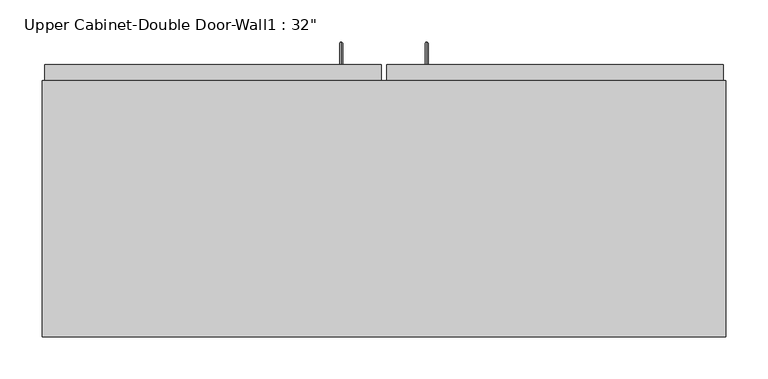
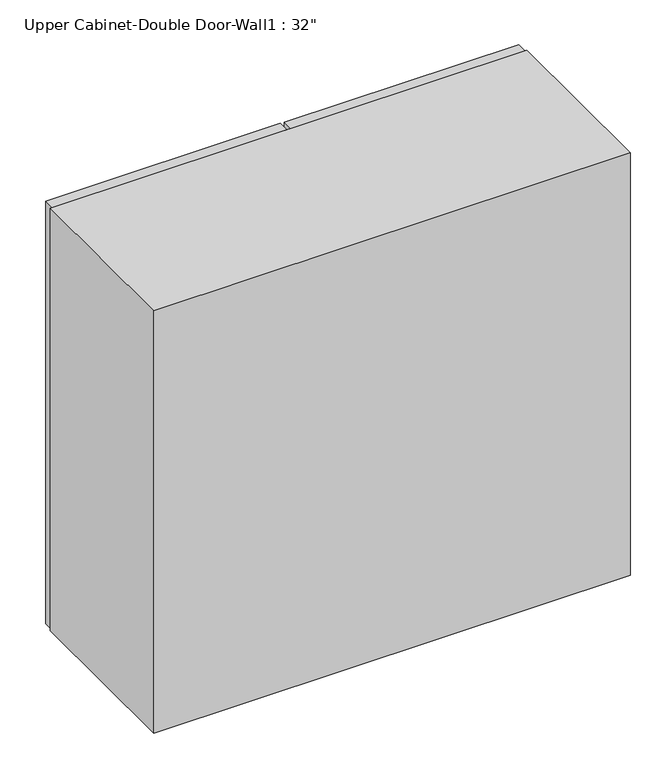
"""IFC4 building model written with IfcOpenShell, lengths in millimetres: furniture geometry."""

from ifc_helpers import new_model, si_unit, frame, origin, place, context, project, spatial, polyline, circle_curve, ellipse_curve, outline, extrude, faceted_brep, source, transform, mapped, element, save
from ifc_brep_helpers import plane_surface, cylinder_surface, advanced_brep


def furniture_71b46e25(model_context):
    return source(origin(), model_context, "Body", "SolidModel", [
        advanced_brep(
        [(80.5132081, 385.7625, 1425.575), (80.5132081, 385.7625, 1422.4), (80.5132081, 409.575, 1425.575), (80.5132081, 412.75, 1422.4), (80.5132081, 409.575, 1597.025), (80.5132081, 412.75, 1600.2), (80.5132081, 385.7625, 1597.025), (80.5132081, 385.7625, 1600.2)],
        [
            (0, 1, circle_curve(frame((80.5132081, 385.7625, 1423.9875), z_axis=(0.0, -1.0, 0.0), x_axis=(0.0, 0.0, -1.0)), 1.5875)),
            (1, 0, circle_curve(frame((80.5132081, 385.7625, 1423.9875), z_axis=(0.0, -1.0, 0.0), x_axis=(0.0, 0.0, -1.0)), 1.5875)),
            (0, 2),
            (2, 3, ellipse_curve(frame((80.5132081, 411.1625, 1423.9875), z_axis=(0.0, -0.7071067811865536, -0.7071067811865416), x_axis=(0.0, -0.7071067811865415, 0.7071067811865536)), 2.245064, 1.5875)),
            (3, 1),
            (3, 2, ellipse_curve(frame((80.5132081, 411.1625, 1423.9875), z_axis=(0.0, -0.7071067811865536, -0.7071067811865416), x_axis=(0.0, -0.7071067811865415, 0.7071067811865536)), 2.245064, 1.5875)),
            (2, 4),
            (4, 5, ellipse_curve(frame((80.5132081, 411.1625, 1598.6125), z_axis=(0.0, 0.7071067811865415, -0.7071067811865535), x_axis=(0.0, -0.7071067811865533, -0.7071067811865418)), 2.245064, 1.5875)),
            (5, 3),
            (5, 4, ellipse_curve(frame((80.5132081, 411.1625, 1598.6125), z_axis=(0.0, 0.7071067811865415, -0.7071067811865535), x_axis=(0.0, -0.7071067811865533, -0.7071067811865418)), 2.245064, 1.5875)),
            (6, 7, circle_curve(frame((80.5132081, 385.7625, 1598.6125), z_axis=(0.0, -1.0, 0.0), x_axis=(0.0, 0.0, 1.0)), 1.5875)),
            (7, 6, circle_curve(frame((80.5132081, 385.7625, 1598.6125), z_axis=(0.0, -1.0, 0.0), x_axis=(0.0, 0.0, 1.0)), 1.5875)),
            (4, 6),
            (7, 5),
        ],
        [
            plane_surface(frame((80.5132081, 385.7625, 1423.9875), z_axis=(0.0, -1.0, 0.0), x_axis=(-1.0, 0.0, 0.0))),
            cylinder_surface(frame((80.5132081, 385.7625, 1423.9875), z_axis=(0.0, -1.0, 0.0), x_axis=(0.0, 0.0, -1.0)), 1.5875),
            cylinder_surface(frame((80.5132081, 411.1625, 1423.9875), z_axis=(0.0, 0.0, -1.0), x_axis=(0.0, 1.0, 0.0)), 1.5875),
            plane_surface(frame((80.5132081, 385.7625, 1598.6125), z_axis=(0.0, -1.0, 0.0), x_axis=(-1.0, 0.0, 0.0))),
            cylinder_surface(frame((80.5132081, 411.1625, 1598.6125), z_axis=(0.0, 1.0, 0.0), x_axis=(0.0, 0.0, 1.0)), 1.5875),
        ],
        [
            (0, [[1, 2]]),
            (1, [[-1, 3, 4, 5]]),
            (1, [[-2, -5, 6, -3]]),
            (2, [[-4, 7, 8, 9]]),
            (2, [[-6, -9, 10, -7]]),
            (3, [[11, 12]]),
            (4, [[-8, 13, -12, 14]]),
            (4, [[-10, -14, -11, -13]]),
        ],
    ),
        advanced_brep(
        [(-21.0867919, 385.7625, 1425.575), (-21.0867919, 385.7625, 1422.4), (-21.0867919, 409.575, 1425.575), (-21.0867919, 412.75, 1422.4), (-21.0867919, 409.575, 1597.025), (-21.0867919, 412.75, 1600.2), (-21.0867919, 385.7625, 1597.025), (-21.0867919, 385.7625, 1600.2)],
        [
            (0, 1, circle_curve(frame((-21.0867919, 385.7625, 1423.9875), z_axis=(0.0, -1.0, 0.0), x_axis=(0.0, 0.0, -1.0)), 1.5875)),
            (1, 0, circle_curve(frame((-21.0867919, 385.7625, 1423.9875), z_axis=(0.0, -1.0, 0.0), x_axis=(0.0, 0.0, -1.0)), 1.5875)),
            (0, 2),
            (2, 3, ellipse_curve(frame((-21.0867919, 411.1625, 1423.9875), z_axis=(0.0, -0.7071067811865536, -0.7071067811865414), x_axis=(0.0, -0.7071067811865416, 0.7071067811865535)), 2.245064, 1.5875)),
            (3, 1),
            (3, 2, ellipse_curve(frame((-21.0867919, 411.1625, 1423.9875), z_axis=(0.0, -0.7071067811865536, -0.7071067811865414), x_axis=(0.0, -0.7071067811865416, 0.7071067811865535)), 2.245064, 1.5875)),
            (2, 4),
            (4, 5, ellipse_curve(frame((-21.0867919, 411.1625, 1598.6125), z_axis=(0.0, 0.7071067811865415, -0.7071067811865535), x_axis=(0.0, -0.7071067811865533, -0.7071067811865416)), 2.245064, 1.5875)),
            (5, 3),
            (5, 4, ellipse_curve(frame((-21.0867919, 411.1625, 1598.6125), z_axis=(0.0, 0.7071067811865415, -0.7071067811865535), x_axis=(0.0, -0.7071067811865533, -0.7071067811865416)), 2.245064, 1.5875)),
            (6, 7, circle_curve(frame((-21.0867919, 385.7625, 1598.6125), z_axis=(0.0, -1.0, 0.0), x_axis=(0.0, 0.0, 1.0)), 1.5875)),
            (7, 6, circle_curve(frame((-21.0867919, 385.7625, 1598.6125), z_axis=(0.0, -1.0, 0.0), x_axis=(0.0, 0.0, 1.0)), 1.5875)),
            (4, 6),
            (7, 5),
        ],
        [
            plane_surface(frame((-21.0867919, 385.7625, 1423.9875), z_axis=(0.0, -1.0, 0.0), x_axis=(-1.0, 0.0, 0.0))),
            cylinder_surface(frame((-21.0867919, 385.7625, 1423.9875), z_axis=(0.0, -1.0, 0.0), x_axis=(0.0, 0.0, -1.0)), 1.5875),
            cylinder_surface(frame((-21.0867919, 411.1625, 1423.9875), z_axis=(0.0, 0.0, -1.0), x_axis=(0.0, 1.0, 0.0)), 1.5875),
            plane_surface(frame((-21.0867919, 385.7625, 1598.6125), z_axis=(0.0, -1.0, 0.0), x_axis=(-1.0, 0.0, 0.0))),
            cylinder_surface(frame((-21.0867919, 411.1625, 1598.6125), z_axis=(0.0, 1.0, 0.0), x_axis=(0.0, 0.0, 1.0)), 1.5875),
        ],
        [
            (0, [[1, 2]]),
            (1, [[-1, 3, 4, 5]]),
            (1, [[-2, -5, 6, -3]]),
            (2, [[-4, 7, 8, 9]]),
            (2, [[-6, -9, 10, -7]]),
            (3, [[11, 12]]),
            (4, [[-8, 13, -12, 14]]),
            (4, [[-10, -14, -11, -13]]),
        ],
    ),
        faceted_brep([(-376.6288372, 61.9125, 2133.6), (-376.6288372, 61.9125, 1371.6), (436.1711628, 61.9125, 1371.6), (436.1711628, 61.9125, 2133.6), (-376.6288372, 366.7125, 2133.6), (436.1711628, 366.7125, 2133.6), (436.1711628, 366.7125, 1371.6), (-376.6288372, 366.7125, 1371.6), (417.1211628, 366.7125, 2114.55), (55.1711628, 366.7125, 2114.55), (55.1711628, 366.7125, 1390.65), (417.1211628, 366.7125, 1390.65), (-357.5788372, 366.7125, 2114.55), (-357.5788372, 366.7125, 1390.65), (4.3711628, 366.7125, 1390.65), (4.3711628, 366.7125, 2114.55), (-357.5788372, 80.9625, 2114.55), (4.3711628, 347.6625, 2114.55), (55.1711628, 347.6625, 2114.55), (417.1211628, 80.9625, 2114.55), (417.1211628, 80.9625, 1390.65), (55.1711628, 347.6625, 1390.65), (4.3711628, 347.6625, 1390.65), (-357.5788372, 80.9625, 1390.65)], [[[0, 1, 2, 3]], [[4, 5, 6, 7], [8, 9, 10, 11], [12, 13, 14, 15]], [[1, 0, 4, 7]], [[2, 1, 7, 6]], [[3, 2, 6, 5]], [[0, 3, 5, 4]], [[16, 12, 15, 17, 18, 9, 8, 19]], [[8, 11, 20, 19]], [[20, 11, 10, 21, 22, 14, 13, 23]], [[13, 12, 16, 23]], [[16, 19, 20, 23]], [[18, 21, 10, 9]], [[15, 14, 22, 17]], [[21, 18, 17, 22]]]),
        extrude(outline(polyline([(32.9461628, 385.7625), (432.9961628, 385.7625), (432.9961628, 366.7125), (32.9461628, 366.7125), (32.9461628, 385.7625)])), frame((0.0, 0.0, 1371.6), z_axis=(0.0, 0.0, 1.0), x_axis=(1.0, 0.0, 0.0)), (0.0, 0.0, 1.0), 762.0),
        extrude(outline(polyline([(-373.4538372, 385.7625), (26.5961628, 385.7625), (26.5961628, 366.7125), (-373.4538372, 366.7125), (-373.4538372, 385.7625)])), frame((0.0, 0.0, 1371.6), z_axis=(0.0, 0.0, 1.0), x_axis=(1.0, 0.0, 0.0)), (0.0, 0.0, 1.0), 762.0),
        extrude(outline(polyline([(417.1211628, 347.6625), (417.1211628, 80.9625), (-357.5788372, 80.9625), (-357.5788372, 347.6625), (417.1211628, 347.6625)])), frame((0.0, 0.0, 1951.0326388), z_axis=(0.0, 0.0, 1.0), x_axis=(1.0, 0.0, 0.0)), (0.0, 0.0, 1.0), 12.7),
        extrude(outline(polyline([(417.1211628, 347.6625), (417.1211628, 80.9625), (-357.5788372, 80.9625), (-357.5788372, 347.6625), (417.1211628, 347.6625)])), frame((0.0, 0.0, 1773.2326388), z_axis=(0.0, 0.0, 1.0), x_axis=(1.0, 0.0, 0.0)), (0.0, 0.0, 1.0), 12.7),
        extrude(outline(polyline([(417.1211628, 347.6625), (417.1211628, 80.9625), (-357.5788372, 80.9625), (-357.5788372, 347.6625), (417.1211628, 347.6625)])), frame((0.0, 0.0, 1595.4326388), z_axis=(0.0, 0.0, 1.0), x_axis=(1.0, 0.0, 0.0)), (0.0, 0.0, 1.0), 12.7),
    ])


if __name__ == "__main__":
    model = new_model("IFC4")
    model_context = context("Model", 3, world=origin())
    ifc_project = project(units=[si_unit("LENGTHUNIT", "METRE", prefix="MILLI")], contexts=[model_context])
    site = spatial("IfcSite", under=ifc_project)
    building = spatial("IfcBuilding", under=site)
    placement = place(None, origin())
    furniture_shape = furniture_71b46e25(model_context)
    element("IfcFurniture", 1, ObjectType="Upper Cabinet-Double Door-Wall1 : 32\"", at=placement, inside=building, context=model_context, shape_type="MappedRepresentation", body=[
        mapped(furniture_shape, transform((0.0, 0.0, 0.0), x_axis=(1.0, 0.0, 0.0), y_axis=(0.0, 1.0, 0.0), z_axis=(0.0, 0.0, 1.0))),
    ])
    save(model, "model.ifc")
